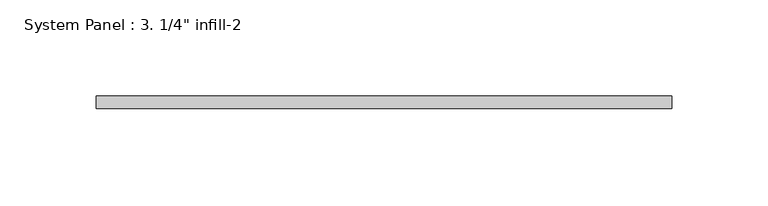
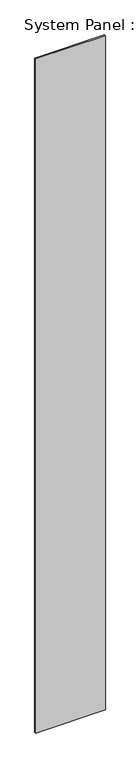
"""IFC4 building model written with IfcOpenShell, lengths in millimetres: plate geometry."""

from ifc_helpers import new_model, si_unit, origin, origin_with_axes, place, context, project, spatial, polyline, outline, extrude, source, transform, mapped, element, save


def plate_365b26ca(model_context):
    return source(origin(), model_context, "Body", "SweptSolid", [
        extrude(outline(polyline([(149.225, 0.0), (-149.225, 0.0), (-149.225, 6.35), (149.225, 6.35), (149.225, 0.0)])), origin_with_axes(), (0.0, 0.0, 1.0), 3048.0),
    ])


if __name__ == "__main__":
    model = new_model("IFC4")
    model_context = context("Model", 3, world=origin())
    ifc_project = project(units=[si_unit("LENGTHUNIT", "METRE", prefix="MILLI")], contexts=[model_context])
    site = spatial("IfcSite", under=ifc_project)
    building = spatial("IfcBuilding", under=site)
    placement = place(None, origin())
    plate_shape = plate_365b26ca(model_context)
    element("IfcPlate", 1, ObjectType="System Panel : 3. 1/4\" infill-2", at=placement, inside=building, context=model_context, shape_type="MappedRepresentation", body=[
        mapped(plate_shape, transform((0.0, 0.0, 0.0), x_axis=(1.0, 0.0, 0.0), y_axis=(0.0, 1.0, 0.0), z_axis=(0.0, 0.0, 1.0))),
    ])
    save(model, "model.ifc")
